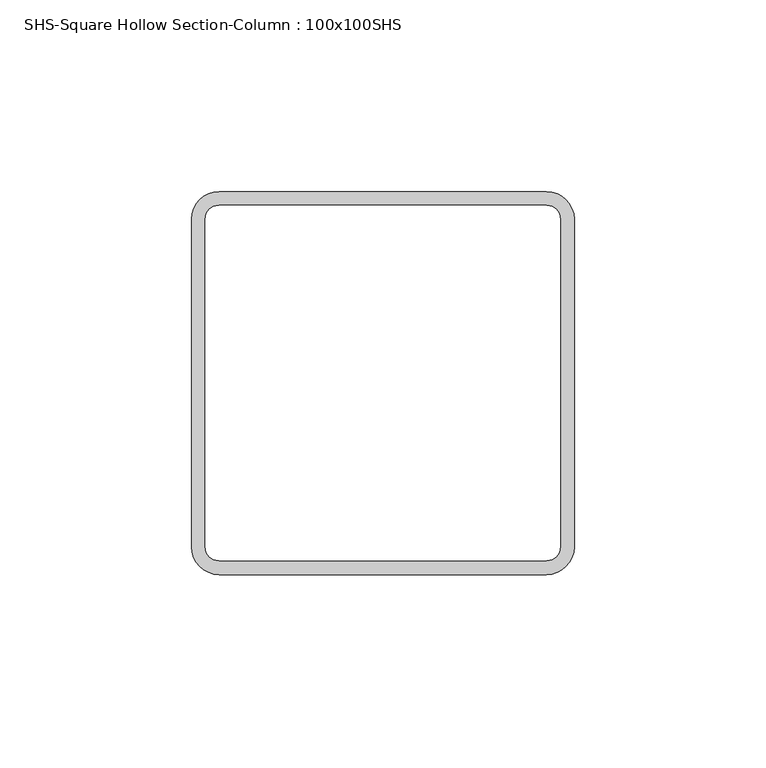
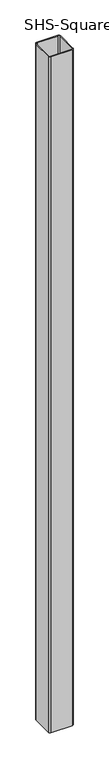
"""IFC4 building model written with IfcOpenShell, lengths in millimetres: column geometry, SHS-Square Hollow Section-Column : 100x100SHS."""

from ifc_helpers import new_model, si_unit, point, frame_2d, origin, origin_with_axes, place, context, project, spatial, polyline, circle_curve, trimmed, segment, composite_curve, outline, extrude, source, transform, mapped, element, save


def shs_square_hollow_section_column_100x100shs_7041eb06(model_context):
    return source(origin(), model_context, "Body", "SweptSolid", [
        extrude(outline(composite_curve([segment(trimmed(circle_curve(frame_2d((42.8, 42.8)), 7.2), [point((42.8, 50.0))], [point((50.0, 42.8))], False, "CARTESIAN"), True, "CONTINUOUS"), segment(polyline([(50.0, 42.8), (50.0, -42.8)]), True, "CONTINUOUS"), segment(trimmed(circle_curve(frame_2d((42.8, -42.8)), 7.2), [point((50.0, -42.8))], [point((42.8, -50.0))], False, "CARTESIAN"), True, "CONTINUOUS"), segment(polyline([(42.8, -50.0), (-42.8, -50.0)]), True, "CONTINUOUS"), segment(trimmed(circle_curve(frame_2d((-42.8, -42.8)), 7.2), [point((-42.8, -50.0))], [point((-50.0, -42.8))], False, "CARTESIAN"), True, "CONTINUOUS"), segment(polyline([(-50.0, -42.8), (-50.0, 42.8)]), True, "CONTINUOUS"), segment(trimmed(circle_curve(frame_2d((-42.8, 42.8)), 7.2), [point((-50.0, 42.8))], [point((-42.8, 50.0))], False, "CARTESIAN"), True, "CONTINUOUS"), segment(polyline([(-42.8, 50.0), (42.8, 50.0)]), True, "CONTINUOUS")], self_intersect=False), holes=[composite_curve([segment(polyline([(42.8, 46.4), (-42.8, 46.4)]), True, "CONTINUOUS"), segment(trimmed(circle_curve(frame_2d((-42.8, 42.8)), 3.6), [point((-42.8, 46.4))], [point((-46.4, 42.8))], True, "CARTESIAN"), True, "CONTINUOUS"), segment(polyline([(-46.4, 42.8), (-46.4, -42.8)]), True, "CONTINUOUS"), segment(trimmed(circle_curve(frame_2d((-42.8, -42.8)), 3.6), [point((-46.4, -42.8))], [point((-42.8, -46.4))], True, "CARTESIAN"), True, "CONTINUOUS"), segment(polyline([(-42.8, -46.4), (42.8, -46.4)]), True, "CONTINUOUS"), segment(trimmed(circle_curve(frame_2d((42.8, -42.8)), 3.6), [point((42.8, -46.4))], [point((46.4, -42.8))], True, "CARTESIAN"), True, "CONTINUOUS"), segment(polyline([(46.4, -42.8), (46.4, 42.8)]), True, "CONTINUOUS"), segment(trimmed(circle_curve(frame_2d((42.8, 42.8)), 3.6), [point((46.4, 42.8))], [point((42.8, 46.4))], True, "CARTESIAN"), True, "CONTINUOUS")], self_intersect=False)]), origin_with_axes(), (0.0, 0.0, 1.0), 2900.0),
    ])


if __name__ == "__main__":
    model = new_model("IFC4")
    model_context = context("Model", 3, world=origin())
    ifc_project = project(units=[si_unit("LENGTHUNIT", "METRE", prefix="MILLI")], contexts=[model_context])
    site = spatial("IfcSite", under=ifc_project)
    building = spatial("IfcBuilding", under=site)
    placement = place(None, origin())
    shs_square_hollow_section_column_100x100shs_shape = shs_square_hollow_section_column_100x100shs_7041eb06(model_context)
    element("IfcColumn", 1, ObjectType="SHS-Square Hollow Section-Column : 100x100SHS", at=placement, inside=building, context=model_context, shape_type="MappedRepresentation", body=[
        mapped(shs_square_hollow_section_column_100x100shs_shape, transform((0.0, 0.0, 0.0), x_axis=(1.0, 0.0, 0.0), y_axis=(0.0, 1.0, 0.0), z_axis=(0.0, 0.0, 1.0))),
    ])
    save(model, "model.ifc")
